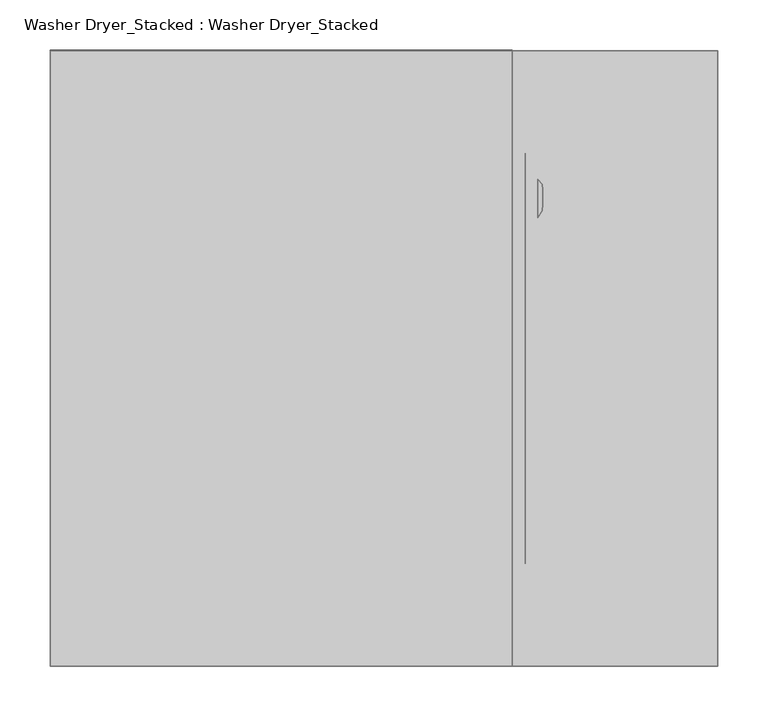
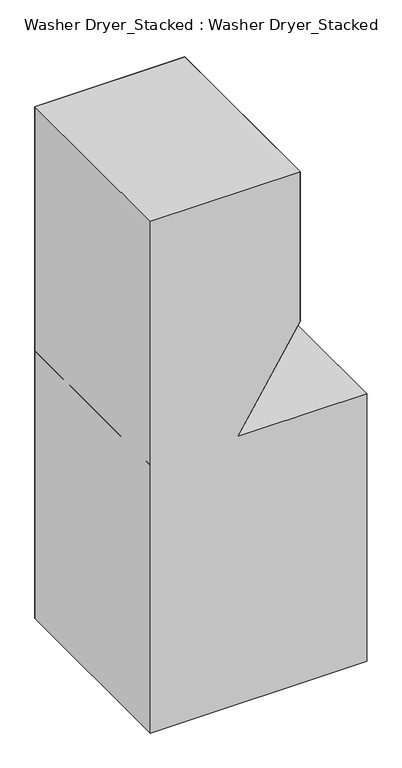
"""IFC4 building model written with IfcOpenShell, lengths in millimetres: proxy geometry, Washer Dryer_Stacked : Washer Dryer_Stacked."""

from ifc_helpers import new_model, si_unit, origin, place, context, project, spatial, triangles, source, transform, mapped, element, save


def washer_dryer_stacked_washer_dryer_stacked_b7042ab4(model_context):
    return source(origin(), model_context, "Body", "Tessellation", [
        triangles([(482.6000121, -126.999997, 1320.8000484), (482.6000121, -165.1000061, 1320.8000484), (482.6000121, -165.1000242, 1447.8), (482.6000121, -127.0000242, 1447.8), (486.7037224, -132.3069768, 1320.8000484), (486.7037224, -132.3070041, 1447.8), (487.6161667, -137.5534862, 1320.8000484), (487.6161667, -137.5535134, 1447.8), (487.6161667, -152.1209382, 1320.8000484), (487.6161667, -152.1209563, 1447.8), (487.0585336, -158.3720919, 1320.8000484), (487.0585336, -158.37211, 1447.8), (423.176895, -393.6999879, 1087.0390989), (423.176895, -215.8999939, 1087.0390989), (405.3034947, -215.8999758, 1060.838518), (405.3034947, -393.6999879, 1060.838518)], [[1, 3, 2], [4, 3, 1], [5, 4, 1], [5, 4, 6], [5, 6, 7], [7, 6, 8], [7, 8, 9], [9, 8, 10], [9, 10, 11], [11, 10, 12], [11, 12, 2], [2, 12, 3], [4, 2, 3], [2, 4, 1], [13, 15, 14], [15, 13, 16]], closed=False),
        triangles([(279.4000061, -38.1000045, 876.3), (634.9999758, -38.1000045, 876.3), (279.4000061, -571.5, 876.3), (634.9999758, -571.5, 876.3), (452.6427564, -571.5000363, 1148.676107), (452.6427564, -38.1000273, 1148.676107), (283.3414261, -38.1000045, 876.4116938), (283.3414261, -571.5, 876.4116938), (469.8999879, -101.6000575, 1536.6999516), (469.8999879, -101.6000394, 1219.2), (469.8999879, -508.0000606, 1536.6999516), (469.8999879, -508.0000606, 1219.2), (0.0, -609.6000727, 1168.3999758), (457.2, -609.6000727, 1168.3999758), (0.0, -609.6, 863.5999758), (266.7, -609.6, 863.5999758), (457.2, -3e-05, 1168.3999758), (0.0, -3e-05, 1168.3999758), (0.0, -3.3e-06, 863.5999758), (266.7, -3.3e-06, 863.5999758), (457.2, -7.22e-05, 1650.9999516), (0.0, -7.22e-05, 1650.9999516), (457.2, -609.6000727, 1650.9999516), (0.0, -609.6000727, 1650.9999516), (0.0, -609.6, 812.8000242), (660.4000242, -609.6, 812.8000242), (0.0, -609.5999637, -2.66e-05), (660.4000242, -609.5999637, -2.66e-05), (660.4000242, -609.6, 863.5999758), (660.4000242, -3.3e-06, 863.5999758), (0.0, 1.1e-06, 812.8000242), (660.4000242, 1.1e-06, 812.8000242), (0.0, 7.22e-05, 2.66e-05), (660.4000242, 7.22e-05, 2.66e-05)], [[1, 3, 2], [4, 2, 3], [5, 7, 6], [7, 5, 8], [9, 11, 10], [12, 10, 11], [13, 15, 14], [16, 14, 15], [17, 19, 18], [19, 17, 20], [21, 18, 22], [18, 21, 17], [23, 21, 24], [22, 24, 21], [14, 24, 13], [24, 14, 23], [25, 27, 26], [28, 26, 27], [15, 26, 29], [26, 15, 25], [19, 15, 30], [29, 30, 15], [31, 30, 32], [30, 31, 19], [33, 31, 34], [32, 34, 31], [22, 27, 24], [27, 22, 33], [26, 34, 32], [34, 26, 28], [29, 26, 30], [32, 30, 26], [14, 20, 17], [20, 14, 16], [23, 14, 21], [17, 21, 14]], closed=False),
    ])


if __name__ == "__main__":
    model = new_model("IFC4")
    model_context = context("Model", 3, world=origin())
    ifc_project = project(units=[si_unit("LENGTHUNIT", "METRE", prefix="MILLI")], contexts=[model_context])
    site = spatial("IfcSite", under=ifc_project)
    building = spatial("IfcBuilding", under=site)
    placement = place(None, origin())
    washer_dryer_stacked_washer_dryer_stacked_shape = washer_dryer_stacked_washer_dryer_stacked_b7042ab4(model_context)
    element("IfcBuildingElementProxy", 1, Name="Washer Dryer_Stacked : Washer Dryer_Stacked", ObjectType="Washer Dryer_Stacked : Washer Dryer_Stacked", at=placement, inside=building, context=model_context, shape_type="MappedRepresentation", body=[
        mapped(washer_dryer_stacked_washer_dryer_stacked_shape, transform((0.0, 0.0, 0.0), x_axis=(1.0, 0.0, 0.0), y_axis=(0.0, 1.0, 0.0), z_axis=(0.0, 0.0, 1.0))),
    ])
    save(model, "model.ifc")
